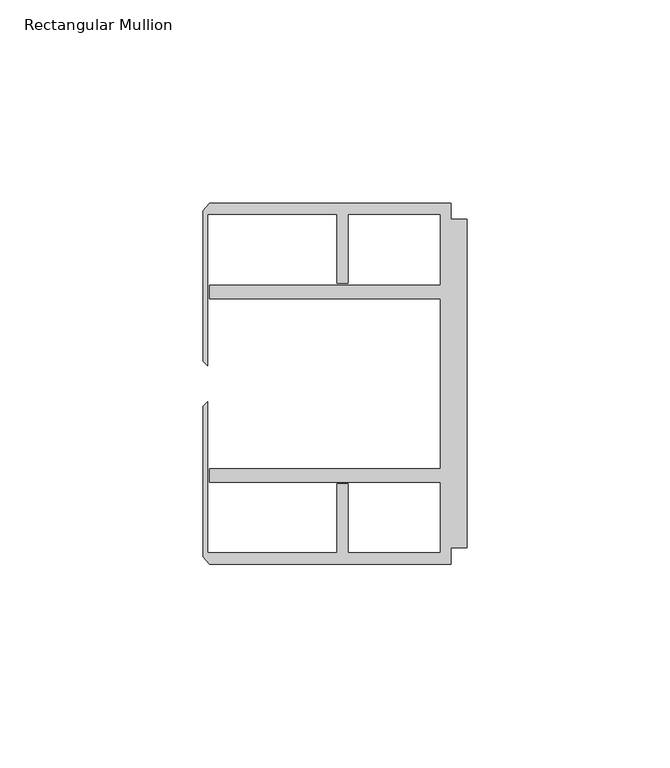
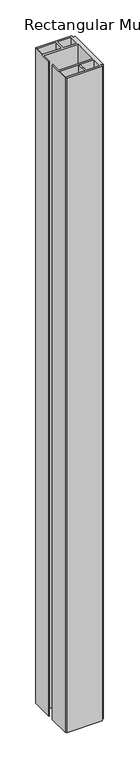
"""IFC4 building model written with IfcOpenShell, lengths in millimetres: member geometry, Rectangular Mullion."""

from ifc_helpers import new_model, si_unit, frame, origin, place, context, project, spatial, polyline, outline, extrude, source, transform, mapped, element, save


def rectangular_mullion_2d387d17(model_context):
    return source(origin(), model_context, "Body", "SweptSolid", [
        extrude(outline(polyline([(-4.0000001, 44.45), (-4.0000001, 40.4500013), (0.0, 40.4500013), (0.0, -40.4500013), (-4.0000001, -40.4500013), (-4.0000001, -44.45), (-63.5, -44.45), (-65.0875, -42.5778955), (-65.0875, -5.55625), (-63.9424102, -4.4111602), (-63.9424102, -41.6500013), (-32.0000002, -41.6500013), (-32.0000002, -24.6468758), (-29.4000001, -24.6468758), (-29.4000001, -41.6500013), (-6.6000002, -41.6500013), (-6.6000002, -24.2500008), (-63.5, -24.2500008), (-63.5, -20.9500007), (-6.6000002, -20.9500007), (-6.6000002, 20.9500007), (-63.5, 20.9500007), (-63.5, 24.2500008), (-6.6000002, 24.2500008), (-6.6000002, 41.6500013), (-29.4000001, 41.6500013), (-29.4000001, 24.6468758), (-32.0000002, 24.6468758), (-32.0000002, 41.6500013), (-63.9424102, 41.6500013), (-63.9424102, 4.4111602), (-65.0875, 5.55625), (-65.0875, 42.5778955), (-63.5, 44.45), (-4.0000001, 44.45)])), frame((0.0, 0.0, -1154.1125), z_axis=(0.0, 0.0, 1.0), x_axis=(1.0, 0.0, 0.0)), (0.0, 0.0, 1.0), 1154.1125),
    ])


if __name__ == "__main__":
    model = new_model("IFC4")
    model_context = context("Model", 3, world=origin())
    ifc_project = project(units=[si_unit("LENGTHUNIT", "METRE", prefix="MILLI")], contexts=[model_context])
    site = spatial("IfcSite", under=ifc_project)
    building = spatial("IfcBuilding", under=site)
    placement = place(None, origin())
    rectangular_mullion_shape = rectangular_mullion_2d387d17(model_context)
    element("IfcMember", 1, ObjectType="Rectangular Mullion", at=placement, inside=building, context=model_context, shape_type="MappedRepresentation", body=[
        mapped(rectangular_mullion_shape, transform((0.0, 0.0, 0.0), x_axis=(1.0, 0.0, 0.0), y_axis=(0.0, 1.0, 0.0), z_axis=(0.0, 0.0, 1.0))),
    ])
    save(model, "model.ifc")
